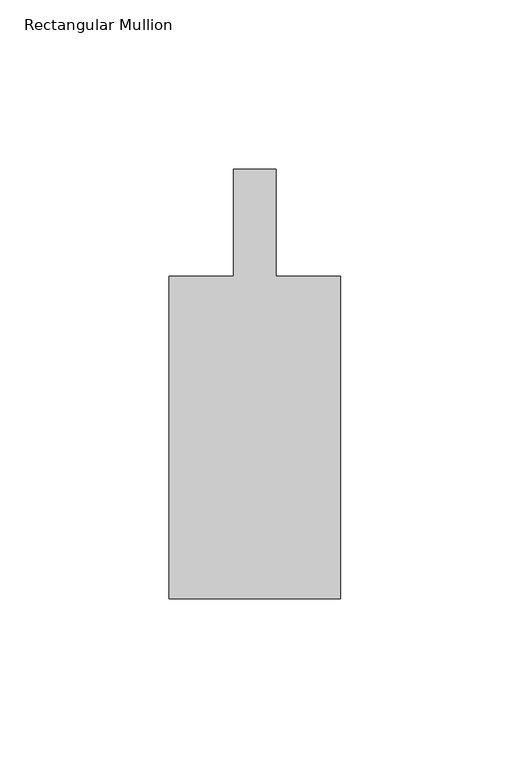
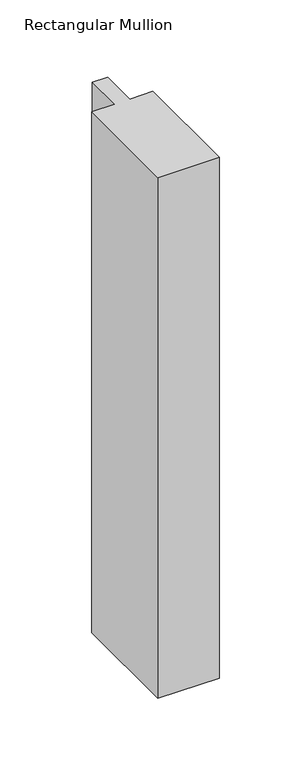
"""IFC4 building model written with IfcOpenShell, lengths in millimetres: member geometry, Rectangular Mullion."""

from ifc_helpers import new_model, si_unit, frame, origin, place, context, project, spatial, polyline, outline, extrude, source, transform, mapped, element, save


def rectangular_mullion_09156f34(model_context):
    return source(origin(), model_context, "Body", "SweptSolid", [
        extrude(outline(polyline([(25.4, -152.4), (-25.4, -152.4), (-25.4, -57.15), (-6.35, -57.15), (-6.35, -25.4), (6.35, -25.4), (6.35, -57.15), (25.4, -57.15), (25.4, -152.4)])), frame((0.0, 0.0, -457.2), z_axis=(0.0, 0.0, 1.0), x_axis=(1.0, 0.0, 0.0)), (0.0, 0.0, 1.0), 457.2),
    ])


if __name__ == "__main__":
    model = new_model("IFC4")
    model_context = context("Model", 3, world=origin())
    ifc_project = project(units=[si_unit("LENGTHUNIT", "METRE", prefix="MILLI")], contexts=[model_context])
    site = spatial("IfcSite", under=ifc_project)
    building = spatial("IfcBuilding", under=site)
    placement = place(None, origin())
    rectangular_mullion_shape = rectangular_mullion_09156f34(model_context)
    element("IfcMember", 1, ObjectType="Rectangular Mullion", at=placement, inside=building, context=model_context, shape_type="MappedRepresentation", body=[
        mapped(rectangular_mullion_shape, transform((0.0, 0.0, 0.0), x_axis=(1.0, 0.0, 0.0), y_axis=(0.0, 1.0, 0.0), z_axis=(0.0, 0.0, 1.0))),
    ])
    save(model, "model.ifc")
